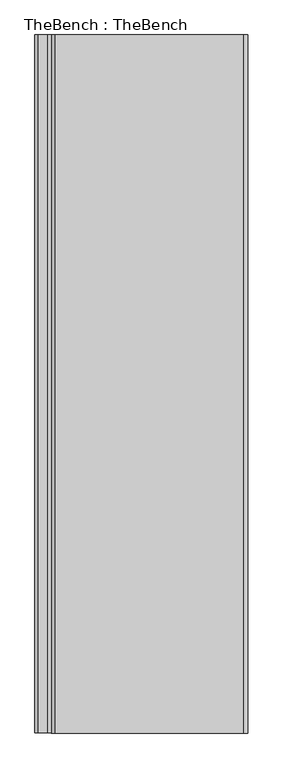
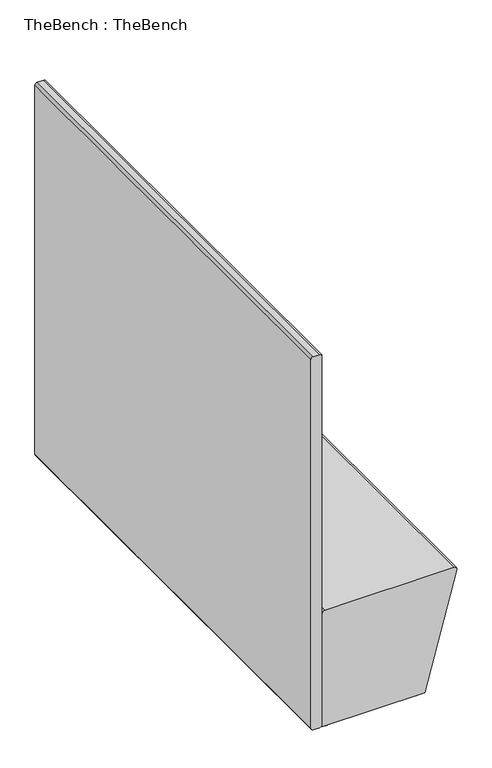
"""IFC4 building model written with IfcOpenShell, lengths in millimetres: furniture geometry, TheBench : TheBench."""

from ifc_helpers import new_model, si_unit, point, frame, frame_2d, origin, origin_with_axes, place, context, project, spatial, polyline, circle_curve, trimmed, segment, composite_curve, outline, extrude, source, transform, mapped, element, save
from ifc_brep_helpers import plane_surface, cylinder_surface, revolved_surface, advanced_brep


def thebench_thebench_fd6c740e(model_context):
    return source(origin(), model_context, "Body", "SolidModel", [
        advanced_brep(
        [(491.0002544, 712.32272, 269.7713927), (493.2581946, 703.59147, 278.2056343), (493.2581946, 513.0711617, 278.2056343), (490.9958028, 504.3226981, 269.7547646), (472.1125282, 504.3226981, 199.2187534), (469.8545879, 513.0539481, 190.7845118), (469.8545879, 703.59147, 190.7845118), (472.1125282, 712.32272, 199.2187534), (486.52951, 563.221036, 253.0715097), (476.1788936, 563.221036, 214.4081315), (486.52951, 653.6574077, 253.0715097), (476.1788936, 653.6574077, 214.4081315), (488.5894416, 712.32272, 270.4167941), (469.7017155, 712.32272, 199.8641548), (467.4437752, 703.59147, 191.4299131), (467.4437752, 513.0539481, 191.4299131), (469.7017155, 504.3226981, 199.8641548), (488.5849901, 504.3226981, 270.400166), (490.8473819, 513.0711617, 278.8510357), (490.8473819, 703.59147, 278.8510357), (484.9318928, 563.221036, 253.4992096), (474.5812765, 563.221036, 214.8358313), (484.9318928, 653.6574077, 253.4992096), (474.5812765, 653.6574077, 214.8358313)],
        [
            (0, 1, circle_curve(frame((491.0002544, 703.59147, 269.7713927), z_axis=(0.9659832957045011, 0.0, -0.25860447099744893), x_axis=(0.25860447099744893, 0.0, 0.9659832957045011)), 8.73125)),
            (1, 2),
            (2, 3, circle_curve(frame((490.9958028, 513.0711617, 269.7547646), z_axis=(0.9659832957045011, 0.0, -0.25860447099744893), x_axis=(0.25860447099744893, 0.0, 0.9659832957045011)), 8.7484636)),
            (3, 4),
            (4, 5, circle_curve(frame((472.1125282, 513.0539481, 199.2187534), z_axis=(0.9659832957045011, 0.0, -0.25860447099744893), x_axis=(0.25860447099744893, 0.0, 0.9659832957045011)), 8.73125)),
            (5, 6),
            (6, 7, circle_curve(frame((472.1125282, 703.59147, 199.2187534), z_axis=(0.9659832957045011, 0.0, -0.25860447099744893), x_axis=(0.25860447099744893, 0.0, 0.9659832957045011)), 8.73125)),
            (7, 0),
            (8, 9, circle_curve(frame((481.3542018, 563.221036, 233.7398206), z_axis=(-0.9659832957045011, 0.0, 0.25860447099744893), x_axis=(-0.25860447099744893, 0.0, -0.9659832957045011)), 20.0124466)),
            (9, 8, circle_curve(frame((481.3542018, 563.221036, 233.7398206), z_axis=(-0.9659832957045011, 0.0, 0.25860447099744893), x_axis=(-0.25860447099744893, 0.0, -0.9659832957045011)), 20.0124466)),
            (10, 11, circle_curve(frame((481.3542018, 653.6574077, 233.7398206), z_axis=(-0.9659832957045011, 0.0, 0.25860447099744893), x_axis=(-0.25860447099744893, 0.0, -0.9659832957045011)), 20.0124466)),
            (11, 10, circle_curve(frame((481.3542018, 653.6574077, 233.7398206), z_axis=(-0.9659832957045011, 0.0, 0.25860447099744893), x_axis=(-0.25860447099744893, 0.0, -0.9659832957045011)), 20.0124466)),
            (12, 13),
            (13, 14, circle_curve(frame((469.7017155, 703.59147, 199.8641548), z_axis=(-0.9659832957045011, 0.0, 0.25860447099744893), x_axis=(0.25860447099744893, 0.0, 0.9659832957045011)), 8.73125)),
            (14, 15),
            (15, 16, circle_curve(frame((469.7017155, 513.0539481, 199.8641548), z_axis=(-0.9659832957045011, 0.0, 0.25860447099744893), x_axis=(0.25860447099744893, 0.0, 0.9659832957045011)), 8.73125)),
            (16, 17),
            (17, 18, circle_curve(frame((488.5849901, 513.0711617, 270.400166), z_axis=(-0.9659832957045011, 0.0, 0.25860447099744893), x_axis=(0.25860447099744893, 0.0, 0.9659832957045011)), 8.7484636)),
            (18, 19),
            (19, 12, circle_curve(frame((488.5894416, 703.59147, 270.4167941), z_axis=(-0.9659832957045011, 0.0, 0.25860447099744893), x_axis=(0.25860447099744893, 0.0, 0.9659832957045011)), 8.73125)),
            (7, 13),
            (12, 0),
            (6, 14),
            (5, 15),
            (4, 16),
            (3, 17),
            (2, 18),
            (1, 19),
            (20, 21, circle_curve(frame((479.7565846, 563.221036, 234.1675205), z_axis=(0.9659832957045011, 0.0, -0.25860447099744893), x_axis=(-0.25860447099744893, 0.0, -0.9659832957045011)), 20.0124466)),
            (21, 20, circle_curve(frame((479.7565846, 563.221036, 234.1675205), z_axis=(0.9659832957045011, 0.0, -0.25860447099744893), x_axis=(-0.25860447099744893, 0.0, -0.9659832957045011)), 20.0124466)),
            (22, 23, circle_curve(frame((479.7565846, 653.6574077, 234.1675205), z_axis=(0.9659832957045011, 0.0, -0.25860447099744893), x_axis=(-0.25860447099744893, 0.0, -0.9659832957045011)), 20.0124466)),
            (23, 22, circle_curve(frame((479.7565846, 653.6574077, 234.1675205), z_axis=(0.9659832957045011, 0.0, -0.25860447099744893), x_axis=(-0.25860447099744893, 0.0, -0.9659832957045011)), 20.0124466)),
            (20, 8),
            (9, 21),
            (22, 10),
            (11, 23),
        ],
        [
            plane_surface(frame((472.0525809, 712.32272, 198.9948279), z_axis=(0.9659832957045011, 0.0, -0.258604470997449), x_axis=(-0.258604470997449, 0.0, -0.9659832957045011))),
            plane_surface(frame((469.6417681, 712.32272, 199.6402293), z_axis=(-0.9659832957045011, 0.0, 0.258604470997449), x_axis=(0.258604470997449, 0.0, 0.9659832957045011))),
            plane_surface(frame((491.0002544, 712.32272, 269.7713927), z_axis=(0.0, 1.0, 0.0), x_axis=(-0.965983295704506, 0.0, 0.25860447099743056))),
            cylinder_surface(frame((469.7017155, 703.59147, 199.8641548), z_axis=(0.9659832957045011, 0.0, -0.25860447099744893), x_axis=(0.25860447099744893, 0.0, 0.9659832957045011)), 8.73125),
            plane_surface(frame((469.8545879, 703.59147, 190.7845118), z_axis=(-0.2586044709974432, 0.0, -0.9659832957045027), x_axis=(-0.9659832957045027, 0.0, 0.2586044709974432))),
            cylinder_surface(frame((469.7017155, 513.0539481, 199.8641548), z_axis=(0.9659832957045011, 0.0, -0.25860447099744893), x_axis=(0.25860447099744893, 0.0, 0.9659832957045011)), 8.73125),
            plane_surface(frame((472.1125282, 504.3226981, 199.2187534), z_axis=(0.0, -1.0000000000000002, 0.0), x_axis=(-0.9659832957045027, 0.0, 0.2586044709974432))),
            cylinder_surface(frame((488.5849901, 513.0711617, 270.400166), z_axis=(0.9659832957045011, 0.0, -0.25860447099744893), x_axis=(0.25860447099744893, 0.0, 0.9659832957045011)), 8.7484636),
            plane_surface(frame((493.2581946, 513.0711617, 278.2056343), z_axis=(0.25860447099745587, 0.0, 0.9659832957044993), x_axis=(-0.9659832957044993, 0.0, 0.25860447099745587))),
            cylinder_surface(frame((488.5894416, 703.59147, 270.4167941), z_axis=(0.9659832957045011, 0.0, -0.25860447099744893), x_axis=(0.25860447099744893, 0.0, 0.9659832957045011)), 8.73125),
            plane_surface(frame((474.5812765, 563.221036, 214.8358313), z_axis=(0.9659832957045011, 0.0, -0.25860447099744893), x_axis=(0.0, 1.0, 0.0))),
            revolved_surface(polyline([(474.5812764166266, 563.221036, 214.83583131466187), (476.1788936555573, 563.221036, 214.40813141263743)]), (495.0278487, 563.221036, 230.0792332), (-0.9659832957045011, 0.0, 0.25860447099744893)),
            revolved_surface(polyline([(474.5812764389062, 653.6574077, 214.83583139788405), (476.1788936778368, 653.6574077, 214.4081314958596)]), (478.9433891, 653.6574077, 234.385222), (-0.9659832957045011, 0.0, 0.25860447099744893)),
        ],
        [
            (0, [[1, 2, 3, 4, 5, 6, 7, 8], [9, 10], [11, 12]]),
            (1, [[13, 14, 15, 16, 17, 18, 19, 20]]),
            (2, [[21, -13, 22, -8]]),
            (3, [[23, -14, -21, -7]]),
            (4, [[24, -15, -23, -6]]),
            (5, [[25, -16, -24, -5]]),
            (6, [[26, -17, -25, -4]]),
            (7, [[27, -18, -26, -3]]),
            (8, [[28, -19, -27, -2]]),
            (9, [[-22, -20, -28, -1]]),
            (10, [[29, 30]]),
            (10, [[31, 32]]),
            (11, [[33, -10, 34, -29]]),
            (11, [[-34, -9, -33, -30]]),
            (12, [[35, -12, 36, -31]]),
            (12, [[-36, -11, -35, -32]]),
        ],
    ),
        advanced_brep(
        [(491.0002544, 1250.8226994, 269.7713927), (493.2581946, 1242.0914494, 278.2056343), (493.2581946, 1051.5711411, 278.2056343), (490.9958028, 1042.8226775, 269.7547646), (472.1125282, 1042.8226775, 199.2187534), (469.8545879, 1051.5539275, 190.7845118), (469.8545879, 1242.0914494, 190.7845118), (472.1125282, 1250.8226994, 199.2187534), (486.52951, 1101.7210154, 253.0715097), (476.1788936, 1101.7210154, 214.4081315), (486.52951, 1192.1573871, 253.0715097), (476.1788936, 1192.1573871, 214.4081315), (488.5894416, 1250.8226994, 270.4167941), (469.7017155, 1250.8226994, 199.8641548), (467.4437752, 1242.0914494, 191.4299131), (467.4437752, 1051.5539275, 191.4299131), (469.7017155, 1042.8226775, 199.8641548), (488.5849901, 1042.8226775, 270.400166), (490.8473819, 1051.5711411, 278.8510357), (490.8473819, 1242.0914494, 278.8510357), (484.9318928, 1101.7210154, 253.4992096), (474.5812765, 1101.7210154, 214.8358313), (484.9318928, 1192.1573871, 253.4992096), (474.5812765, 1192.1573871, 214.8358313)],
        [
            (0, 1, circle_curve(frame((491.0002544, 1242.0914494, 269.7713927), z_axis=(0.9659832957045011, 0.0, -0.25860447099744893), x_axis=(0.25860447099744893, 0.0, 0.9659832957045011)), 8.73125)),
            (1, 2),
            (2, 3, circle_curve(frame((490.9958028, 1051.5711411, 269.7547646), z_axis=(0.9659832957045011, 0.0, -0.25860447099744893), x_axis=(0.25860447099744893, 0.0, 0.9659832957045011)), 8.7484636)),
            (3, 4),
            (4, 5, circle_curve(frame((472.1125282, 1051.5539275, 199.2187534), z_axis=(0.9659832957045011, 0.0, -0.25860447099744893), x_axis=(0.25860447099744893, 0.0, 0.9659832957045011)), 8.73125)),
            (5, 6),
            (6, 7, circle_curve(frame((472.1125282, 1242.0914494, 199.2187534), z_axis=(0.9659832957045011, 0.0, -0.25860447099744893), x_axis=(0.25860447099744893, 0.0, 0.9659832957045011)), 8.73125)),
            (7, 0),
            (8, 9, circle_curve(frame((481.3542018, 1101.7210154, 233.7398206), z_axis=(-0.9659832957045011, 0.0, 0.25860447099744893), x_axis=(-0.25860447099744893, 0.0, -0.9659832957045011)), 20.0124466)),
            (9, 8, circle_curve(frame((481.3542018, 1101.7210154, 233.7398206), z_axis=(-0.9659832957045011, 0.0, 0.25860447099744893), x_axis=(-0.25860447099744893, 0.0, -0.9659832957045011)), 20.0124466)),
            (10, 11, circle_curve(frame((481.3542018, 1192.1573871, 233.7398206), z_axis=(-0.9659832957045011, 0.0, 0.25860447099744893), x_axis=(-0.25860447099744893, 0.0, -0.9659832957045011)), 20.0124466)),
            (11, 10, circle_curve(frame((481.3542018, 1192.1573871, 233.7398206), z_axis=(-0.9659832957045011, 0.0, 0.25860447099744893), x_axis=(-0.25860447099744893, 0.0, -0.9659832957045011)), 20.0124466)),
            (12, 13),
            (13, 14, circle_curve(frame((469.7017155, 1242.0914494, 199.8641548), z_axis=(-0.9659832957045011, 0.0, 0.25860447099744893), x_axis=(0.25860447099744893, 0.0, 0.9659832957045011)), 8.73125)),
            (14, 15),
            (15, 16, circle_curve(frame((469.7017155, 1051.5539275, 199.8641548), z_axis=(-0.9659832957045011, 0.0, 0.25860447099744893), x_axis=(0.25860447099744893, 0.0, 0.9659832957045011)), 8.73125)),
            (16, 17),
            (17, 18, circle_curve(frame((488.5849901, 1051.5711411, 270.400166), z_axis=(-0.9659832957045011, 0.0, 0.25860447099744893), x_axis=(0.25860447099744893, 0.0, 0.9659832957045011)), 8.7484636)),
            (18, 19),
            (19, 12, circle_curve(frame((488.5894416, 1242.0914494, 270.4167941), z_axis=(-0.9659832957045011, 0.0, 0.25860447099744893), x_axis=(0.25860447099744893, 0.0, 0.9659832957045011)), 8.73125)),
            (7, 13),
            (12, 0),
            (6, 14),
            (5, 15),
            (4, 16),
            (3, 17),
            (2, 18),
            (1, 19),
            (20, 21, circle_curve(frame((479.7565846, 1101.7210154, 234.1675205), z_axis=(0.9659832957045011, 0.0, -0.25860447099744893), x_axis=(-0.25860447099744893, 0.0, -0.9659832957045011)), 20.0124466)),
            (21, 20, circle_curve(frame((479.7565846, 1101.7210154, 234.1675205), z_axis=(0.9659832957045011, 0.0, -0.25860447099744893), x_axis=(-0.25860447099744893, 0.0, -0.9659832957045011)), 20.0124466)),
            (22, 23, circle_curve(frame((479.7565846, 1192.1573871, 234.1675205), z_axis=(0.9659832957045011, 0.0, -0.25860447099744893), x_axis=(-0.25860447099744893, 0.0, -0.9659832957045011)), 20.0124466)),
            (23, 22, circle_curve(frame((479.7565846, 1192.1573871, 234.1675205), z_axis=(0.9659832957045011, 0.0, -0.25860447099744893), x_axis=(-0.25860447099744893, 0.0, -0.9659832957045011)), 20.0124466)),
            (20, 8),
            (9, 21),
            (22, 10),
            (11, 23),
        ],
        [
            plane_surface(frame((472.0525809, 1250.8226994, 198.9948279), z_axis=(0.9659832957045011, 0.0, -0.258604470997449), x_axis=(-0.258604470997449, 0.0, -0.9659832957045011))),
            plane_surface(frame((469.6417681, 1250.8226994, 199.6402293), z_axis=(-0.9659832957045011, 0.0, 0.258604470997449), x_axis=(0.258604470997449, 0.0, 0.9659832957045011))),
            plane_surface(frame((491.0002544, 1250.8226994, 269.7713927), z_axis=(0.0, 1.0, 0.0), x_axis=(-0.9659832957044993, 0.0, 0.25860447099745587))),
            cylinder_surface(frame((469.7017155, 1242.0914494, 199.8641548), z_axis=(0.9659832957045011, 0.0, -0.25860447099744893), x_axis=(0.25860447099744893, 0.0, 0.9659832957045011)), 8.73125),
            plane_surface(frame((469.8545879, 1242.0914494, 190.7845118), z_axis=(-0.25860447099744993, 0.0, -0.9659832957045008), x_axis=(-0.9659832957045008, 0.0, 0.25860447099744993))),
            cylinder_surface(frame((469.7017155, 1051.5539275, 199.8641548), z_axis=(0.9659832957045011, 0.0, -0.25860447099744893), x_axis=(0.25860447099744893, 0.0, 0.9659832957045011)), 8.73125),
            plane_surface(frame((472.1125282, 1042.8226775, 199.2187534), z_axis=(0.0, -1.0000000000000002, 0.0), x_axis=(-0.9659832957045027, 0.0, 0.2586044709974432))),
            cylinder_surface(frame((488.5849901, 1051.5711411, 270.400166), z_axis=(0.9659832957045011, 0.0, -0.25860447099744893), x_axis=(0.25860447099744893, 0.0, 0.9659832957045011)), 8.7484636),
            plane_surface(frame((493.2581946, 1051.5711411, 278.2056343), z_axis=(0.25860447099745587, 0.0, 0.9659832957044993), x_axis=(-0.9659832957044993, 0.0, 0.25860447099745587))),
            cylinder_surface(frame((488.5894416, 1242.0914494, 270.4167941), z_axis=(0.9659832957045011, 0.0, -0.25860447099744893), x_axis=(0.25860447099744893, 0.0, 0.9659832957045011)), 8.73125),
            plane_surface(frame((474.5812765, 1101.7210154, 214.8358313), z_axis=(0.9659832957045011, 0.0, -0.25860447099744893), x_axis=(0.0, 1.0, 0.0))),
            revolved_surface(polyline([(474.5812764166266, 1101.7210154, 214.83583131466187), (476.1788936555573, 1101.7210154, 214.40813141263743)]), (495.0278487, 1101.7210154, 230.0792332), (-0.9659832957045011, 0.0, 0.25860447099744893)),
            revolved_surface(polyline([(474.5812764389062, 1192.1573871, 214.83583139788405), (476.1788936778368, 1192.1573871, 214.4081314958596)]), (478.9433891, 1192.1573871, 234.385222), (-0.9659832957045011, 0.0, 0.25860447099744893)),
        ],
        [
            (0, [[1, 2, 3, 4, 5, 6, 7, 8], [9, 10], [11, 12]]),
            (1, [[13, 14, 15, 16, 17, 18, 19, 20]]),
            (2, [[21, -13, 22, -8]]),
            (3, [[23, -14, -21, -7]]),
            (4, [[24, -15, -23, -6]]),
            (5, [[25, -16, -24, -5]]),
            (6, [[26, -17, -25, -4]]),
            (7, [[27, -18, -26, -3]]),
            (8, [[28, -19, -27, -2]]),
            (9, [[-22, -20, -28, -1]]),
            (10, [[29, 30]]),
            (10, [[31, 32]]),
            (11, [[33, -10, 34, -29]]),
            (11, [[-34, -9, -33, -30]]),
            (12, [[35, -12, 36, -31]]),
            (12, [[-36, -11, -35, -32]]),
        ],
    ),
        extrude(outline(composite_curve([segment(trimmed(circle_curve(frame_2d((396.4499745, 22.3217092)), 10.0000255), [point((386.449949, 22.3217092))], [point((406.45, 22.3217092))], False, "CARTESIAN"), True, "CONTINUOUS"), segment(trimmed(circle_curve(frame_2d((396.4499745, 22.3217092)), 10.0000255), [point((406.45, 22.3217092))], [point((386.449949, 22.3217092))], False, "CARTESIAN"), True, "CONTINUOUS")], self_intersect=False)), origin_with_axes(), (0.0, 0.0, 1.0), 10.0000005),
        extrude(outline(composite_curve([segment(trimmed(circle_curve(frame_2d((64.4499723, 22.3217092)), 10.0000255), [point((54.4499468, 22.3217092))], [point((74.4499978, 22.3217092))], False, "CARTESIAN"), True, "CONTINUOUS"), segment(trimmed(circle_curve(frame_2d((64.4499723, 22.3217092)), 10.0000255), [point((74.4499978, 22.3217092))], [point((54.4499468, 22.3217092))], False, "CARTESIAN"), True, "CONTINUOUS")], self_intersect=False)), origin_with_axes(), (0.0, 0.0, 1.0), 10.0000005),
        extrude(outline(composite_curve([segment(trimmed(circle_curve(frame_2d((396.4499745, 1732.3217117)), 10.0000255), [point((386.449949, 1732.3217117))], [point((406.45, 1732.3217117))], False, "CARTESIAN"), True, "CONTINUOUS"), segment(trimmed(circle_curve(frame_2d((396.4499745, 1732.3217117)), 10.0000255), [point((406.45, 1732.3217117))], [point((386.449949, 1732.3217117))], False, "CARTESIAN"), True, "CONTINUOUS")], self_intersect=False)), origin_with_axes(), (0.0, 0.0, 1.0), 10.0000005),
        extrude(outline(composite_curve([segment(trimmed(circle_curve(frame_2d((64.4499723, 1732.3217117)), 10.0000255), [point((54.4499468, 1732.3217117))], [point((74.4499978, 1732.3217117))], False, "CARTESIAN"), True, "CONTINUOUS"), segment(trimmed(circle_curve(frame_2d((64.4499723, 1732.3217117)), 10.0000255), [point((74.4499978, 1732.3217117))], [point((54.4499468, 1732.3217117))], False, "CARTESIAN"), True, "CONTINUOUS")], self_intersect=False)), origin_with_axes(), (0.0, 0.0, 1.0), 10.0000005),
        extrude(outline(composite_curve([segment(polyline([(1451.1596297, 0.0), (18.8312995, 0.0)]), True, "CONTINUOUS"), segment(trimmed(circle_curve(frame_2d((18.8312995, 8.831299)), 8.831299), [point((18.8312995, 0.0))], [point((10.0000005, 8.831299))], False, "CARTESIAN"), True, "CONTINUOUS"), segment(polyline([(10.0000005, 8.831299), (10.0000005, 31.75)]), True, "CONTINUOUS"), segment(trimmed(circle_curve(frame_2d((18.8304693, 31.75)), 8.8304687), [point((10.0000005, 31.75))], [point((18.8304693, 40.5804688))], False, "CARTESIAN"), True, "CONTINUOUS"), segment(polyline([(18.8304693, 40.5804688), (1451.1596297, 40.5804688)]), True, "CONTINUOUS"), segment(trimmed(circle_curve(frame_2d((1451.1596297, 31.75)), 8.8304687), [point((1451.1596297, 40.5804688))], [point((1459.9900985, 31.75))], False, "CARTESIAN"), True, "CONTINUOUS"), segment(polyline([(1459.9900985, 31.75), (1459.9900985, 8.8304688)]), True, "CONTINUOUS"), segment(trimmed(circle_curve(frame_2d((1451.1596297, 8.8304688)), 8.8304688), [point((1459.9900985, 8.8304688))], [point((1451.1596297, 0.0))], False, "CARTESIAN"), True, "CONTINUOUS")], self_intersect=False)), frame((0.0, 0.0, 0.0), z_axis=(0.0, 1.0, 0.0), x_axis=(0.0, 0.0, 1.0)), (0.0, 0.0, 1.0), 1757.3217251),
        extrude(outline(composite_curve([segment(trimmed(circle_curve(frame_2d((450.1340275, 50.446452)), 9.8659833), [point((460.0000108, 50.446452))], [point((450.1340275, 40.5804688))], False, "CARTESIAN"), True, "CONTINUOUS"), segment(polyline([(450.1340275, 40.5804688), (10.0000005, 40.5804688), (10.0000005, 418.8729699), (447.3618068, 535.9595893)]), True, "CONTINUOUS"), segment(trimmed(circle_curve(frame_2d((449.9585686, 526.259724)), 10.0414421), [point((447.3618068, 535.9595893))], [point((460.0000108, 526.259724))], False, "CARTESIAN"), True, "CONTINUOUS"), segment(polyline([(460.0000108, 526.259724), (460.0000108, 50.446452)]), True, "CONTINUOUS")], self_intersect=False)), frame((0.0, 0.0, 0.0), z_axis=(0.0, 1.0, 0.0), x_axis=(0.0, 0.0, 1.0)), (0.0, 0.0, 1.0), 1757.3217251),
    ])


if __name__ == "__main__":
    model = new_model("IFC4")
    model_context = context("Model", 3, world=origin())
    ifc_project = project(units=[si_unit("LENGTHUNIT", "METRE", prefix="MILLI")], contexts=[model_context])
    site = spatial("IfcSite", under=ifc_project)
    building = spatial("IfcBuilding", under=site)
    placement = place(None, origin())
    thebench_thebench_shape = thebench_thebench_fd6c740e(model_context)
    element("IfcFurniture", 1, ObjectType="TheBench : TheBench", at=placement, inside=building, context=model_context, shape_type="MappedRepresentation", body=[
        mapped(thebench_thebench_shape, transform((0.0, 0.0, 0.0), x_axis=(1.0, 0.0, 0.0), y_axis=(0.0, 1.0, 0.0), z_axis=(0.0, 0.0, 1.0))),
    ])
    save(model, "model.ifc")
